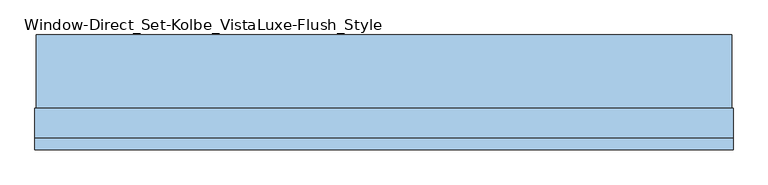
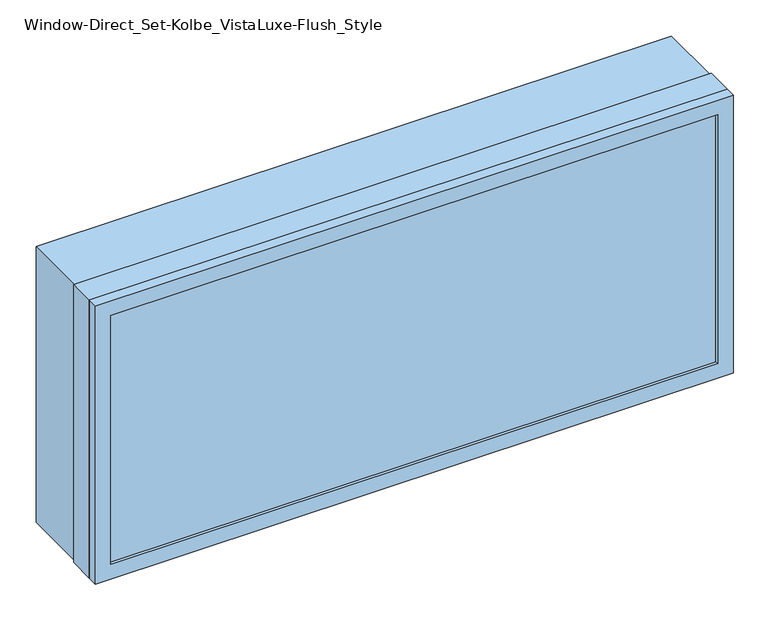
"""IFC4 building model written with IfcOpenShell, lengths in millimetres: window geometry, Window-Direct_Set-Kolbe_VistaLuxe-Flush_Style."""

from ifc_helpers import new_model, si_unit, frame, origin, place, context, project, spatial, polyline, outline, extrude, faceted_brep, source, transform, mapped, element, save


def window_direct_set_kolbe_vistaluxe_flush_style_37487d79(model_context):
    return source(origin(), model_context, "Body", "SolidModel", [
        extrude(outline(polyline([(1673.225, 816.1496242), (1673.225, -828.5003758), (917.575, -828.5003758), (917.575, 816.1496242), (1673.225, 816.1496242)]), holes=[polyline([(936.625, 797.0996242), (936.625, -809.4503758), (1654.175, -809.4503758), (1654.175, 797.0996242), (936.625, 797.0996242)])]), frame((0.0, -51.5747, 0.0), z_axis=(0.0, 1.0, 0.0), x_axis=(0.0, 0.0, 1.0)), (0.0, 0.0, 1.0), 173.8122),
        extrude(outline(polyline([(936.625, 797.0996242), (1654.175, 797.0996242), (1654.175, -809.4503758), (936.625, -809.4503758), (936.625, 797.0996242)]), holes=[polyline([(954.0875, -791.9878758), (1636.7125, -791.9878758), (1636.7125, 779.6371242), (954.0875, 779.6371242), (954.0875, -791.9878758)])]), frame((0.0, -118.20525, 0.0), z_axis=(0.0, 1.0, 0.0), x_axis=(0.0, 0.0, 1.0)), (0.0, 0.0, 1.0), 69.8246),
        faceted_brep([(819.3246242, -149.1615, 1676.4), (819.3246242, -122.2375, 1676.4), (-831.6753758, -122.2375, 1676.4), (-831.6753758, -149.1615, 1676.4), (779.6373659, -140.43025, 1636.7127418), (779.6373659, -149.1615, 1636.7127418), (-791.9881176, -149.1615, 1636.7127418), (-791.9881176, -140.43025, 1636.7127418), (797.0996242, -122.2375, 1654.175), (797.0996242, -140.43025, 1654.175), (-809.4503758, -140.43025, 1654.175), (-809.4503758, -122.2375, 1654.175), (-831.6753758, -122.2375, 914.4), (-831.6753758, -149.1615, 914.4), (-791.9881176, -149.1615, 954.0872582), (-791.9881176, -140.43025, 954.0872582), (-809.4503758, -140.43025, 936.625), (-809.4503758, -122.2375, 936.625), (819.3246242, -122.2375, 914.4), (819.3246242, -149.1615, 914.4), (779.6373659, -149.1615, 954.0872582), (779.6373659, -140.43025, 954.0872582), (797.0996242, -140.43025, 936.625), (797.0996242, -122.2375, 936.625)], [[[0, 1, 2, 3]], [[4, 5, 6, 7]], [[8, 9, 10, 11]], [[3, 2, 12, 13]], [[7, 6, 14, 15]], [[11, 10, 16, 17]], [[13, 12, 18, 19]], [[15, 14, 20, 21]], [[17, 16, 22, 23]], [[19, 18, 1, 0]], [[3, 13, 19, 0], [5, 20, 14, 6]], [[21, 20, 5, 4]], [[9, 22, 16, 10], [7, 15, 21, 4]], [[23, 22, 9, 8]], [[1, 18, 12, 2], [11, 17, 23, 8]]]),
        extrude(outline(polyline([(914.4, 819.3246242), (1676.4, 819.3246242), (1676.4, -831.6753758), (914.4, -831.6753758), (914.4, 819.3246242)]), holes=[polyline([(936.625, -809.4503758), (1654.175, -809.4503758), (1654.175, 797.0996242), (936.625, 797.0996242), (936.625, -809.4503758)])]), frame((0.0, -122.2375, 0.0), z_axis=(0.0, 1.0, 0.0), x_axis=(0.0, 0.0, 1.0)), (0.0, 0.0, 1.0), 70.6628),
        extrude(outline(polyline([(794.7183742, -121.38025), (-807.0691258, -121.38025), (-807.0691258, -118.20525), (794.7183742, -118.20525), (794.7183742, -121.38025)])), frame((0.0, 0.0, 946.15), z_axis=(0.0, 0.0, 1.0), x_axis=(1.0, 0.0, 0.0)), (0.0, 0.0, 1.0), 698.5),
        extrude(outline(polyline([(794.7183742, -137.25525), (794.7183742, -140.43025), (-807.0691258, -140.43025), (-807.0691258, -137.25525), (794.7183742, -137.25525)])), frame((0.0, 0.0, 946.15), z_axis=(0.0, 0.0, 1.0), x_axis=(1.0, 0.0, 0.0)), (0.0, 0.0, 1.0), 698.5),
    ])


if __name__ == "__main__":
    model = new_model("IFC4")
    model_context = context("Model", 3, world=origin())
    ifc_project = project(units=[si_unit("LENGTHUNIT", "METRE", prefix="MILLI")], contexts=[model_context])
    site = spatial("IfcSite", under=ifc_project)
    building = spatial("IfcBuilding", under=site)
    placement = place(None, origin())
    window_direct_set_kolbe_vistaluxe_flush_style_shape = window_direct_set_kolbe_vistaluxe_flush_style_37487d79(model_context)
    element("IfcWindow", 1, ObjectType="Window-Direct_Set-Kolbe_VistaLuxe-Flush_Style", at=placement, inside=building, context=model_context, shape_type="MappedRepresentation", body=[
        mapped(window_direct_set_kolbe_vistaluxe_flush_style_shape, transform((0.0, 0.0, 0.0), x_axis=(1.0, 0.0, 0.0), y_axis=(0.0, 1.0, 0.0), z_axis=(0.0, 0.0, 1.0))),
    ])
    save(model, "model.ifc")
